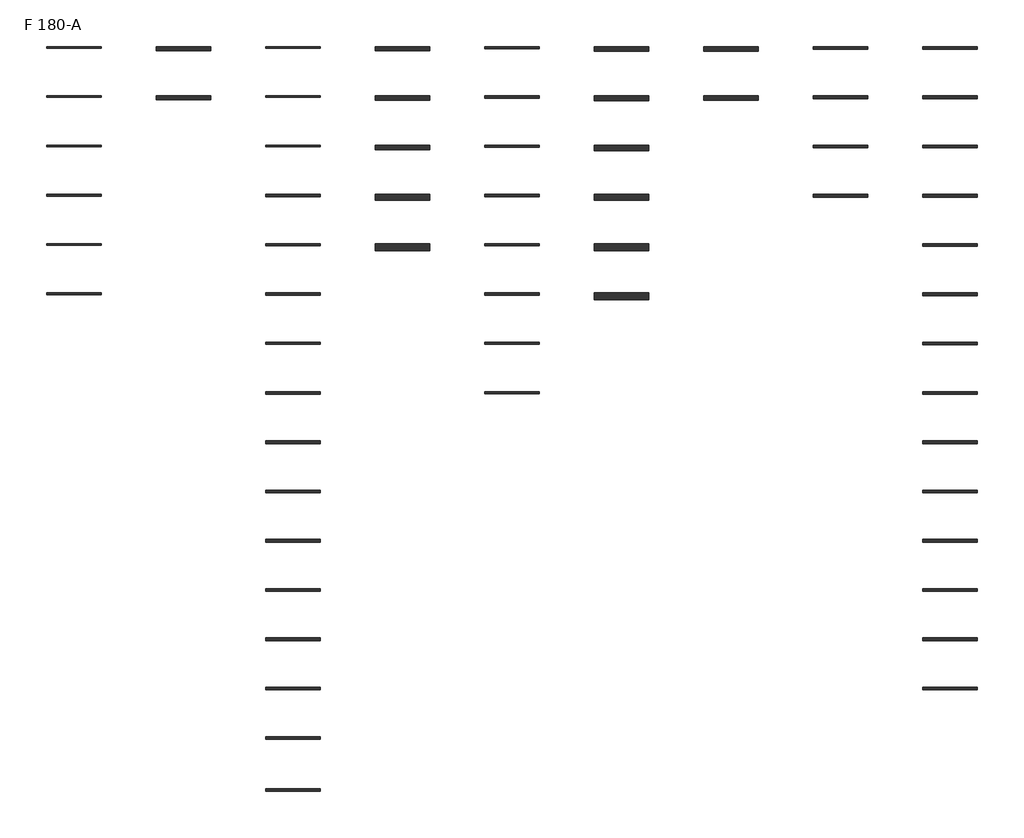
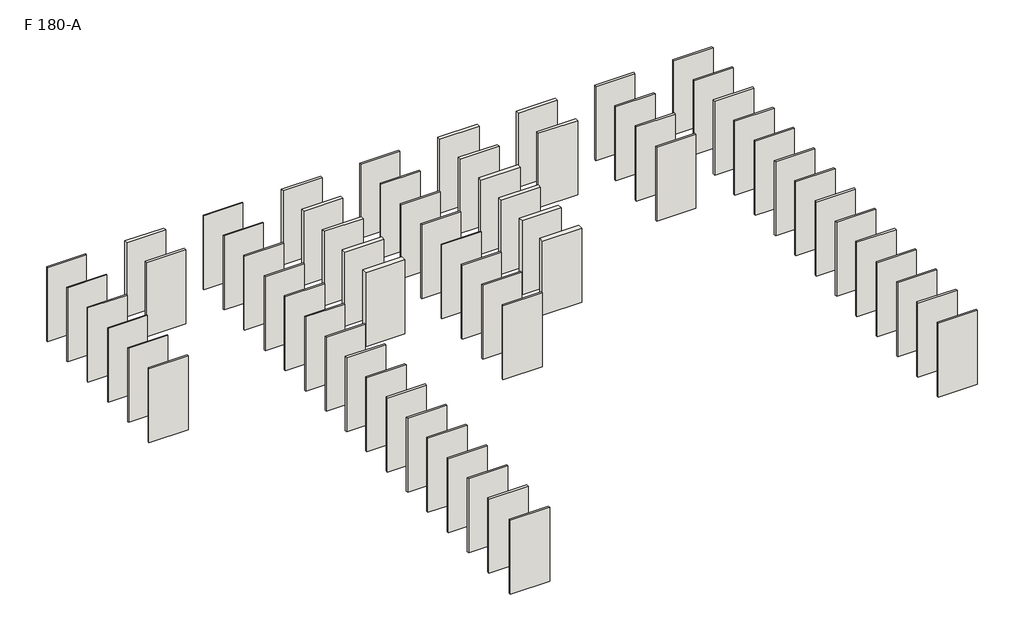
# One storey: 63 walls.
"""IFC4 building model written with IfcOpenShell, lengths in millimetres."""

import ifcopenshell
import ifcopenshell.guid

model = None  # the IFC model being written
_history = None  # IfcOwnerHistory: only IFC2X3 demands one
_inside = {}  # id of a spatial element -> (the spatial element, [elements in it])
_under = {}  # id of a project, library or spatial element -> (it, [spatial elements below it])
_declared = {}  # id of a project -> (the project, [libraries it declares])
_typed = {}  # id of a type object -> (the type object, [elements of that type])
_made_of = {}  # id of a material, layer set ... -> (it, [elements and type objects made of it])


def new_model(schema):
    """Start an empty IFC model of exactly this schema.

    Asked for "IFC4X3", IfcOpenShell would pick the latest addendum, in which some entities
    have other attributes; the version numbers below select the first issue.
    IFC2X3 requires an IfcOwnerHistory on every rooted entity: one is made here for all.
    """
    global model, _history
    if schema == "IFC4X3":
        model = ifcopenshell.file(schema_version=(4, 3, 0, 0))
    else:
        model = ifcopenshell.file(schema=schema)
    _inside.clear()
    _under.clear()
    _declared.clear()
    _typed.clear()
    _made_of.clear()
    _history = None
    if model.schema == "IFC2X3":
        org = make("IfcOrganization", Name="unknown")
        user = make(
            "IfcPersonAndOrganization",
            ThePerson=make("IfcPerson", FamilyName="unknown"),
            TheOrganization=org,
        )
        app = make(
            "IfcApplication",
            ApplicationDeveloper=org,
            Version="unknown",
            ApplicationFullName="unknown",
            ApplicationIdentifier="unknown",
        )
        _history = make(
            "IfcOwnerHistory",
            OwningUser=user,
            OwningApplication=app,
            ChangeAction="ADDED",
            CreationDate=0,
        )
    return model


def make(cls, **values):
    """One entity of the class cls with the attributes given. An attribute that is None is left unset."""
    return model.create_entity(
        cls, **{name: value for name, value in values.items() if value is not None}
    )


def rooted(cls, **values):
    """An entity with a GlobalId (a new one), such as an element, a storey or a relation."""
    return make(cls, GlobalId=ifcopenshell.guid.new(), OwnerHistory=_history, **values)


def si_unit(unit_type, name, prefix=None):
    """IfcSIUnit, for example si_unit("LENGTHUNIT", "METRE", prefix="MILLI")."""
    return make("IfcSIUnit", UnitType=unit_type, Prefix=prefix, Name=name)


def assignment(units):
    """IfcUnitAssignment: the units of a project."""
    return None if units is None else make("IfcUnitAssignment", Units=units)


def point(xyz):
    """IfcCartesianPoint."""
    return None if xyz is None else make("IfcCartesianPoint", Coordinates=xyz)


def direction(xyz):
    """IfcDirection."""
    return None if xyz is None else make("IfcDirection", DirectionRatios=xyz)


def frame(location, z_axis=None, x_axis=None):
    """IfcAxis2Placement3D, a coordinate frame: its origin and axes. An axis left out is left unset."""
    return make(
        "IfcAxis2Placement3D",
        Location=point(location),
        Axis=direction(z_axis),
        RefDirection=direction(x_axis),
    )


def origin():
    """The frame at (0, 0, 0) with its axes left unset."""
    return frame((0.0, 0.0, 0.0))


def origin_with_axes():
    """The frame at (0, 0, 0) with the z axis (0, 0, 1) and the x axis (1, 0, 0) written out."""
    return frame((0.0, 0.0, 0.0), z_axis=(0.0, 0.0, 1.0), x_axis=(1.0, 0.0, 0.0))


def place(relative_to, where):
    """IfcLocalPlacement: puts the frame where relative to a parent placement (None: the world)."""
    return make(
        "IfcLocalPlacement", PlacementRelTo=relative_to, RelativePlacement=where
    )


def context(
    kind, dimensions, precision=None, world=None, true_north=None, identifier=None
):
    """IfcGeometricRepresentationContext, for example the 3D "Model" context."""
    return make(
        "IfcGeometricRepresentationContext",
        ContextIdentifier=identifier,
        ContextType=kind,
        CoordinateSpaceDimension=dimensions,
        Precision=precision,
        WorldCoordinateSystem=world,
        TrueNorth=true_north,
    )


def project(units=None, contexts=None):
    """IfcProject with its units and contexts."""
    return rooted(
        "IfcProject",
        Name="project",
        RepresentationContexts=contexts,
        UnitsInContext=assignment(units),
    )


def spatial(cls, under=None, at=None, **own):
    """A site, building, storey or space (cls), placed at a placement, below another one or the project."""
    s = rooted(cls, ObjectPlacement=at, **own)
    if under is not None:
        _under.setdefault(under.id(), (under, []))[1].append(s)
    return s


def polyline(points):
    """IfcPolyline through the points."""
    return make("IfcPolyline", Points=[point(p) for p in points])


def outline(outer, holes=None, kind="AREA"):
    """IfcArbitraryClosedProfileDef: a profile drawn as a closed curve; with holes, ...WithVoids."""
    if holes is None:
        return make("IfcArbitraryClosedProfileDef", ProfileType=kind, OuterCurve=outer)
    return make(
        "IfcArbitraryProfileDefWithVoids",
        ProfileType=kind,
        OuterCurve=outer,
        InnerCurves=holes,
    )


def extrude(swept, where, along, depth):
    """IfcExtrudedAreaSolid: the profile swept, set in the frame where, extruded along a direction by depth."""
    return make(
        "IfcExtrudedAreaSolid",
        SweptArea=swept,
        Position=where,
        ExtrudedDirection=direction(along),
        Depth=depth,
    )


def shape(context_of_items, identifier, shape_type, items):
    """IfcShapeRepresentation: the items that make up one representation, for example the "Body"."""
    return make(
        "IfcShapeRepresentation",
        ContextOfItems=context_of_items,
        RepresentationIdentifier=identifier,
        RepresentationType=shape_type,
        Items=items,
    )


def made_of(thing, what):
    """Note that an element or type object is made of a material, layer set ...; save() writes the relation."""
    if what is not None:
        _made_of.setdefault(what.id(), (what, []))[1].append(thing)
    return thing


def element(
    cls,
    number,
    at=None,
    inside=None,
    cuts=None,
    type_object=None,
    material=None,
    context=None,
    identifier="Body",
    shape_type=None,
    held_by="IfcProductDefinitionShape",
    body=None,
    shapes=None,
    **own,
):
    """One element of the class cls, such as IfcWall. Its Tag is "e" and its number.

    at: its placement. inside: the storey or other place that contains it. cuts: it is an
    opening in that element (IfcRelVoidsElement). A single representation is given by context,
    identifier, shape_type and body (its items); several are given by shapes. held_by: the class
    of the entity that holds the representations. save() writes the other relations.
    """
    e = rooted(cls, Tag="e%d" % number, ObjectPlacement=at, **own)
    if body is not None:
        shapes = [shape(context, identifier, shape_type, body)]
    if shapes is not None:
        e.Representation = make(held_by, Representations=shapes)
    if inside is not None:
        _inside.setdefault(inside.id(), (inside, []))[1].append(e)
    if cuts is not None:
        rooted(
            "IfcRelVoidsElement", RelatingBuildingElement=cuts, RelatedOpeningElement=e
        )
    if type_object is not None:
        _typed.setdefault(type_object.id(), (type_object, []))[1].append(e)
    return made_of(e, material)


def aggregate(whole, parts):
    """IfcRelAggregates: a whole, such as a stair, and the parts it consists of."""
    return rooted("IfcRelAggregates", RelatingObject=whole, RelatedObjects=parts)


def save(model, path):
    """Write the relations noted so far, then the file.

    IfcRelAggregates (storeys below a building ...), IfcRelContainedInSpatialStructure (elements
    in a storey), IfcRelDefinesByType, IfcRelAssociatesMaterial and IfcRelDeclares: one each for
    every whole, place, type object, material and project.
    """
    for whole, parts in _under.values():
        aggregate(whole, parts)
    for where, things in _inside.values():
        rooted(
            "IfcRelContainedInSpatialStructure",
            RelatedElements=things,
            RelatingStructure=where,
        )
    for kind, things in _typed.values():
        rooted("IfcRelDefinesByType", RelatedObjects=things, RelatingType=kind)
    for what, things in _made_of.values():
        rooted("IfcRelAssociatesMaterial", RelatedObjects=things, RelatingMaterial=what)
    for by, libraries in _declared.values():
        rooted("IfcRelDeclares", RelatingContext=by, RelatedDefinitions=libraries)
    model.write(path)


model = new_model("IFC4")

# Units and contexts
model_context = context("Model", 3, world=origin())
ifc_project = project(units=[si_unit("LENGTHUNIT", "METRE", prefix="MILLI")], contexts=[model_context])

# Site, building, storey
site = spatial("IfcSite", under=ifc_project)
building = spatial("IfcBuilding", under=site)
storey = spatial("IfcBuildingStorey", under=building, Name="F 180-A", Elevation=0.0)

# Walls
placement = place(None, origin())
element("IfcWall", 1, at=placement, inside=storey, context=model_context, shape_type="SweptSolid", body=[
    extrude(outline(polyline([(18981.4779271, 3903.2053743), (16981.4779271, 3903.2053743), (16981.4779271, 3983.2053743), (18981.4779271, 3983.2053743), (18981.4779271, 3903.2053743)])), origin_with_axes(), (0.0, 0.0, 1.0), 4000.0),
])
element("IfcWall", 2, at=placement, inside=storey, context=model_context, shape_type="SweptSolid", body=[
    extrude(outline(polyline([(18981.4779271, 2103.2053743), (16981.4779271, 2103.2053743), (16981.4779271, 2183.2053743), (18981.4779271, 2183.2053743), (18981.4779271, 2103.2053743)])), origin_with_axes(), (0.0, 0.0, 1.0), 4000.0),
])
element("IfcWall", 3, at=placement, inside=storey, context=model_context, shape_type="SweptSolid", body=[
    extrude(outline(polyline([(18981.4779271, 303.2053743), (16981.4779271, 303.2053743), (16981.4779271, 383.2053743), (18981.4779271, 383.2053743), (18981.4779271, 303.2053743)])), origin_with_axes(), (0.0, 0.0, 1.0), 4000.0),
])
element("IfcWall", 4, at=placement, inside=storey, context=model_context, shape_type="SweptSolid", body=[
    extrude(outline(polyline([(18981.4779271, -1496.7946257), (16981.4779271, -1496.7946257), (16981.4779271, -1416.7946257), (18981.4779271, -1416.7946257), (18981.4779271, -1496.7946257)])), origin_with_axes(), (0.0, 0.0, 1.0), 4000.0),
])
element("IfcWall", 5, at=placement, inside=storey, context=model_context, shape_type="SweptSolid", body=[
    extrude(outline(polyline([(30981.4779271, 283.2053743), (28981.4779271, 283.2053743), (28981.4779271, 383.2053743), (30981.4779271, 383.2053743), (30981.4779271, 283.2053743)])), origin_with_axes(), (0.0, 0.0, 1.0), 4000.0),
])
element("IfcWall", 6, at=placement, inside=storey, context=model_context, shape_type="SweptSolid", body=[
    extrude(outline(polyline([(34981.4779271, -3316.7946257), (32981.4779271, -3316.7946257), (32981.4779271, -3216.7946257), (34981.4779271, -3216.7946257), (34981.4779271, -3316.7946257)])), origin_with_axes(), (0.0, 0.0, 1.0), 4000.0),
])
element("IfcWall", 7, at=placement, inside=storey, context=model_context, shape_type="SweptSolid", body=[
    extrude(outline(polyline([(34981.4779271, -5116.7946257), (32981.4779271, -5116.7946257), (32981.4779271, -5016.7946257), (34981.4779271, -5016.7946257), (34981.4779271, -5116.7946257)])), origin_with_axes(), (0.0, 0.0, 1.0), 4000.0),
])
element("IfcWall", 8, at=placement, inside=storey, context=model_context, shape_type="SweptSolid", body=[
    extrude(outline(polyline([(34981.4779271, -10516.7946257), (32981.4779271, -10516.7946257), (32981.4779271, -10416.7946257), (34981.4779271, -10416.7946257), (34981.4779271, -10516.7946257)])), origin_with_axes(), (0.0, 0.0, 1.0), 4000.0),
])
element("IfcWall", 9, at=placement, inside=storey, context=model_context, shape_type="SweptSolid", body=[
    extrude(outline(polyline([(34981.4779271, -12316.7946257), (32981.4779271, -12316.7946257), (32981.4779271, -12216.7946257), (34981.4779271, -12216.7946257), (34981.4779271, -12316.7946257)])), origin_with_axes(), (0.0, 0.0, 1.0), 4000.0),
])
element("IfcWall", 10, at=placement, inside=storey, context=model_context, shape_type="SweptSolid", body=[
    extrude(outline(polyline([(2981.4779271, -3276.7946257), (981.4779271, -3276.7946257), (981.4779271, -3216.7946257), (2981.4779271, -3216.7946257), (2981.4779271, -3276.7946257)])), origin_with_axes(), (0.0, 0.0, 1.0), 4000.0),
])
element("IfcWall", 11, at=placement, inside=storey, context=model_context, shape_type="SweptSolid", body=[
    extrude(outline(polyline([(2981.4779271, -5076.7946257), (981.4779271, -5076.7946257), (981.4779271, -5016.7946257), (2981.4779271, -5016.7946257), (2981.4779271, -5076.7946257)])), origin_with_axes(), (0.0, 0.0, 1.0), 4000.0),
])
element("IfcWall", 12, at=placement, inside=storey, context=model_context, shape_type="SweptSolid", body=[
    extrude(outline(polyline([(30981.4779271, -1516.7946257), (28981.4779271, -1516.7946257), (28981.4779271, -1416.7946257), (30981.4779271, -1416.7946257), (30981.4779271, -1516.7946257)])), origin_with_axes(), (0.0, 0.0, 1.0), 4000.0),
])
element("IfcWall", 13, at=placement, inside=storey, context=model_context, shape_type="SweptSolid", body=[
    extrude(outline(polyline([(10981.4779271, 3923.2053743), (8981.4779271, 3923.2053743), (8981.4779271, 3983.2053743), (10981.4779271, 3983.2053743), (10981.4779271, 3923.2053743)])), origin_with_axes(), (0.0, 0.0, 1.0), 4000.0),
])
element("IfcWall", 14, at=placement, inside=storey, context=model_context, shape_type="SweptSolid", body=[
    extrude(outline(polyline([(10981.4779271, -1496.7946257), (8981.4779271, -1496.7946257), (8981.4779271, -1416.7946257), (10981.4779271, -1416.7946257), (10981.4779271, -1496.7946257)])), origin_with_axes(), (0.0, 0.0, 1.0), 4000.0),
])
element("IfcWall", 15, at=placement, inside=storey, context=model_context, shape_type="SweptSolid", body=[
    extrude(outline(polyline([(10981.4779271, -6896.7946257), (8981.4779271, -6896.7946257), (8981.4779271, -6816.7946257), (10981.4779271, -6816.7946257), (10981.4779271, -6896.7946257)])), origin_with_axes(), (0.0, 0.0, 1.0), 4000.0),
])
element("IfcWall", 16, at=placement, inside=storey, context=model_context, shape_type="SweptSolid", body=[
    extrude(outline(polyline([(10981.4779271, -12316.7946257), (8981.4779271, -12316.7946257), (8981.4779271, -12216.7946257), (10981.4779271, -12216.7946257), (10981.4779271, -12316.7946257)])), origin_with_axes(), (0.0, 0.0, 1.0), 4000.0),
])
element("IfcWall", 17, at=placement, inside=storey, context=model_context, shape_type="SweptSolid", body=[
    extrude(outline(polyline([(10981.4779271, -15916.7946257), (8981.4779271, -15916.7946257), (8981.4779271, -15816.7946257), (10981.4779271, -15816.7946257), (10981.4779271, -15916.7946257)])), origin_with_axes(), (0.0, 0.0, 1.0), 4000.0),
])
element("IfcWall", 18, at=placement, inside=storey, context=model_context, shape_type="SweptSolid", body=[
    extrude(outline(polyline([(10981.4779271, -23216.7946257), (8981.4779271, -23216.7946257), (8981.4779271, -23116.7946257), (10981.4779271, -23116.7946257), (10981.4779271, -23216.7946257)])), origin_with_axes(), (0.0, 0.0, 1.0), 4000.0),
])
element("IfcWall", 19, ObjectType="WD.100-R48-2", at=placement, inside=storey, context=model_context, shape_type="SweptSolid", body=[
    extrude(outline(polyline([(34981.4779271, 3883.2053743), (32981.4779271, 3883.2053743), (32981.4779271, 3983.2053743), (34981.4779271, 3983.2053743), (34981.4779271, 3883.2053743)])), origin_with_axes(), (0.0, 0.0, 1.0), 4000.0),
])
element("IfcWall", 20, ObjectType="WD.100-R48-3", at=placement, inside=storey, context=model_context, shape_type="SweptSolid", body=[
    extrude(outline(polyline([(10981.4779271, -8716.7946257), (8981.4779271, -8716.7946257), (8981.4779271, -8616.7946257), (10981.4779271, -8616.7946257), (10981.4779271, -8716.7946257)])), origin_with_axes(), (0.0, 0.0, 1.0), 4000.0),
])
element("IfcWall", 21, ObjectType="WD.100-R48-4", at=placement, inside=storey, context=model_context, shape_type="SweptSolid", body=[
    extrude(outline(polyline([(34981.4779271, 2083.2053743), (32981.4779271, 2083.2053743), (32981.4779271, 2183.2053743), (34981.4779271, 2183.2053743), (34981.4779271, 2083.2053743)])), origin_with_axes(), (0.0, 0.0, 1.0), 4000.0),
])
element("IfcWall", 22, ObjectType="WD.100-R50-2", at=placement, inside=storey, context=model_context, shape_type="SweptSolid", body=[
    extrude(outline(polyline([(34981.4779271, 283.2053743), (32981.4779271, 283.2053743), (32981.4779271, 383.2053743), (34981.4779271, 383.2053743), (34981.4779271, 283.2053743)])), origin_with_axes(), (0.0, 0.0, 1.0), 4000.0),
])
element("IfcWall", 23, ObjectType="WD.100-R50-3", at=placement, inside=storey, context=model_context, shape_type="SweptSolid", body=[
    extrude(outline(polyline([(10981.4779271, -14116.7946257), (8981.4779271, -14116.7946257), (8981.4779271, -14016.7946257), (10981.4779271, -14016.7946257), (10981.4779271, -14116.7946257)])), origin_with_axes(), (0.0, 0.0, 1.0), 4000.0),
])
element("IfcWall", 24, ObjectType="WD.100-R50-4", at=placement, inside=storey, context=model_context, shape_type="SweptSolid", body=[
    extrude(outline(polyline([(34981.4779271, -1516.7946257), (32981.4779271, -1516.7946257), (32981.4779271, -1416.7946257), (34981.4779271, -1416.7946257), (34981.4779271, -1516.7946257)])), origin_with_axes(), (0.0, 0.0, 1.0), 4000.0),
])
element("IfcWall", 25, ObjectType="WD.60.60-2", at=placement, inside=storey, context=model_context, shape_type="SweptSolid", body=[
    extrude(outline(polyline([(6981.4779271, 3833.2053743), (4981.4779271, 3833.2053743), (4981.4779271, 3983.2053743), (6981.4779271, 3983.2053743), (6981.4779271, 3833.2053743)])), origin_with_axes(), (0.0, 0.0, 1.0), 4000.0),
])
element("IfcWall", 26, ObjectType="WD.60.60-3", at=placement, inside=storey, context=model_context, shape_type="SweptSolid", body=[
    extrude(outline(polyline([(14981.4779271, 3833.2053743), (12981.4779271, 3833.2053743), (12981.4779271, 3983.2053743), (14981.4779271, 3983.2053743), (14981.4779271, 3833.2053743)])), origin_with_axes(), (0.0, 0.0, 1.0), 4000.0),
])
element("IfcWall", 27, ObjectType="WD.60.60-4", at=placement, inside=storey, context=model_context, shape_type="SweptSolid", body=[
    extrude(outline(polyline([(6981.4779271, 2033.2053743), (4981.4779271, 2033.2053743), (4981.4779271, 2183.2053743), (6981.4779271, 2183.2053743), (6981.4779271, 2033.2053743)])), origin_with_axes(), (0.0, 0.0, 1.0), 4000.0),
])
element("IfcWall", 28, ObjectType="WDH.100-R50-2", at=placement, inside=storey, context=model_context, shape_type="SweptSolid", body=[
    extrude(outline(polyline([(34981.4779271, -6916.7946257), (32981.4779271, -6916.7946257), (32981.4779271, -6816.7946257), (34981.4779271, -6816.7946257), (34981.4779271, -6916.7946257)])), origin_with_axes(), (0.0, 0.0, 1.0), 4000.0),
])
element("IfcWall", 29, ObjectType="WDH.100-R50-3", at=placement, inside=storey, context=model_context, shape_type="SweptSolid", body=[
    extrude(outline(polyline([(10981.4779271, -10516.7946257), (8981.4779271, -10516.7946257), (8981.4779271, -10416.7946257), (10981.4779271, -10416.7946257), (10981.4779271, -10516.7946257)])), origin_with_axes(), (0.0, 0.0, 1.0), 4000.0),
])
element("IfcWall", 30, ObjectType="WDH.100-R50-4", at=placement, inside=storey, context=model_context, shape_type="SweptSolid", body=[
    extrude(outline(polyline([(34981.4779271, -8716.7946257), (32981.4779271, -8716.7946257), (32981.4779271, -8616.7946257), (34981.4779271, -8616.7946257), (34981.4779271, -8716.7946257)])), origin_with_axes(), (0.0, 0.0, 1.0), 4000.0),
])
element("IfcWall", 31, ObjectType="WDM.60.80-2", at=placement, inside=storey, context=model_context, shape_type="SweptSolid", body=[
    extrude(outline(polyline([(26981.4779271, 3813.2053743), (24981.4779271, 3813.2053743), (24981.4779271, 3983.2053743), (26981.4779271, 3983.2053743), (26981.4779271, 3813.2053743)])), origin_with_axes(), (0.0, 0.0, 1.0), 4000.0),
])
element("IfcWall", 32, ObjectType="WDM.60.80-3", at=placement, inside=storey, context=model_context, shape_type="SweptSolid", body=[
    extrude(outline(polyline([(14981.4779271, 2013.2053743), (12981.4779271, 2013.2053743), (12981.4779271, 2183.2053743), (14981.4779271, 2183.2053743), (14981.4779271, 2013.2053743)])), origin_with_axes(), (0.0, 0.0, 1.0), 4000.0),
])
element("IfcWall", 33, ObjectType="WDM.60.80-4", at=placement, inside=storey, context=model_context, shape_type="SweptSolid", body=[
    extrude(outline(polyline([(26981.4779271, 2013.2053743), (24981.4779271, 2013.2053743), (24981.4779271, 2183.2053743), (26981.4779271, 2183.2053743), (26981.4779271, 2013.2053743)])), origin_with_axes(), (0.0, 0.0, 1.0), 4000.0),
])
element("IfcWall", 34, ObjectType="WM.100-2", at=placement, inside=storey, context=model_context, shape_type="SweptSolid", body=[
    extrude(outline(polyline([(34981.4779271, -17716.7946257), (32981.4779271, -17716.7946257), (32981.4779271, -17616.7946257), (34981.4779271, -17616.7946257), (34981.4779271, -17716.7946257)])), origin_with_axes(), (0.0, 0.0, 1.0), 4000.0),
])
element("IfcWall", 35, ObjectType="WM.100-2-MW", at=placement, inside=storey, context=model_context, shape_type="SweptSolid", body=[
    extrude(outline(polyline([(30981.4779271, 3883.2053743), (28981.4779271, 3883.2053743), (28981.4779271, 3983.2053743), (30981.4779271, 3983.2053743), (30981.4779271, 3883.2053743)])), origin_with_axes(), (0.0, 0.0, 1.0), 4000.0),
])
element("IfcWall", 36, ObjectType="WM.100-3", at=placement, inside=storey, context=model_context, shape_type="SweptSolid", body=[
    extrude(outline(polyline([(10981.4779271, -21316.7946257), (8981.4779271, -21316.7946257), (8981.4779271, -21216.7946257), (10981.4779271, -21216.7946257), (10981.4779271, -21316.7946257)])), origin_with_axes(), (0.0, 0.0, 1.0), 4000.0),
])
element("IfcWall", 37, ObjectType="WM.100-3-MW", at=placement, inside=storey, context=model_context, shape_type="SweptSolid", body=[
    extrude(outline(polyline([(10981.4779271, -17716.7946257), (8981.4779271, -17716.7946257), (8981.4779271, -17616.7946257), (10981.4779271, -17616.7946257), (10981.4779271, -17716.7946257)])), origin_with_axes(), (0.0, 0.0, 1.0), 4000.0),
])
element("IfcWall", 38, ObjectType="WM.100-4", at=placement, inside=storey, context=model_context, shape_type="SweptSolid", body=[
    extrude(outline(polyline([(34981.4779271, -19516.7946257), (32981.4779271, -19516.7946257), (32981.4779271, -19416.7946257), (34981.4779271, -19416.7946257), (34981.4779271, -19516.7946257)])), origin_with_axes(), (0.0, 0.0, 1.0), 4000.0),
])
element("IfcWall", 39, ObjectType="WM.100-4-MW", at=placement, inside=storey, context=model_context, shape_type="SweptSolid", body=[
    extrude(outline(polyline([(30981.4779271, 2083.2053743), (28981.4779271, 2083.2053743), (28981.4779271, 2183.2053743), (30981.4779271, 2183.2053743), (30981.4779271, 2083.2053743)])), origin_with_axes(), (0.0, 0.0, 1.0), 4000.0),
])
element("IfcWall", 40, ObjectType="WM.60-2", at=placement, inside=storey, context=model_context, shape_type="SweptSolid", body=[
    extrude(outline(polyline([(2981.4779271, 323.2053743), (981.4779271, 323.2053743), (981.4779271, 383.2053743), (2981.4779271, 383.2053743), (2981.4779271, 323.2053743)])), origin_with_axes(), (0.0, 0.0, 1.0), 4000.0),
])
element("IfcWall", 41, ObjectType="WM.60-3", at=placement, inside=storey, context=model_context, shape_type="SweptSolid", body=[
    extrude(outline(polyline([(10981.4779271, 2123.2053743), (8981.4779271, 2123.2053743), (8981.4779271, 2183.2053743), (10981.4779271, 2183.2053743), (10981.4779271, 2123.2053743)])), origin_with_axes(), (0.0, 0.0, 1.0), 4000.0),
])
element("IfcWall", 42, ObjectType="WM.60-4", at=placement, inside=storey, context=model_context, shape_type="SweptSolid", body=[
    extrude(outline(polyline([(2981.4779271, -1476.7946257), (981.4779271, -1476.7946257), (981.4779271, -1416.7946257), (2981.4779271, -1416.7946257), (2981.4779271, -1476.7946257)])), origin_with_axes(), (0.0, 0.0, 1.0), 4000.0),
])
element("IfcWall", 43, ObjectType="WM.60.80-2", at=placement, inside=storey, context=model_context, shape_type="SweptSolid", body=[
    extrude(outline(polyline([(22981.4779271, 3808.2053743), (20981.4779271, 3808.2053743), (20981.4779271, 3983.2053743), (22981.4779271, 3983.2053743), (22981.4779271, 3808.2053743)])), origin_with_axes(), (0.0, 0.0, 1.0), 4000.0),
])
element("IfcWall", 44, ObjectType="WM.60.80-3", at=placement, inside=storey, context=model_context, shape_type="SweptSolid", body=[
    extrude(outline(polyline([(14981.4779271, 208.2053743), (12981.4779271, 208.2053743), (12981.4779271, 383.2053743), (14981.4779271, 383.2053743), (14981.4779271, 208.2053743)])), origin_with_axes(), (0.0, 0.0, 1.0), 4000.0),
])
element("IfcWall", 45, ObjectType="WM.60.80-4", at=placement, inside=storey, context=model_context, shape_type="SweptSolid", body=[
    extrude(outline(polyline([(22981.4779271, 2008.2053743), (20981.4779271, 2008.2053743), (20981.4779271, 2183.2053743), (22981.4779271, 2183.2053743), (22981.4779271, 2008.2053743)])), origin_with_axes(), (0.0, 0.0, 1.0), 4000.0),
])
element("IfcWall", 46, ObjectType="WM.80-2", at=placement, inside=storey, context=model_context, shape_type="SweptSolid", body=[
    extrude(outline(polyline([(18981.4779271, -3296.7946257), (16981.4779271, -3296.7946257), (16981.4779271, -3216.7946257), (18981.4779271, -3216.7946257), (18981.4779271, -3296.7946257)])), origin_with_axes(), (0.0, 0.0, 1.0), 4000.0),
])
element("IfcWall", 47, ObjectType="WM.80-3", at=placement, inside=storey, context=model_context, shape_type="SweptSolid", body=[
    extrude(outline(polyline([(10981.4779271, -3296.7946257), (8981.4779271, -3296.7946257), (8981.4779271, -3216.7946257), (10981.4779271, -3216.7946257), (10981.4779271, -3296.7946257)])), origin_with_axes(), (0.0, 0.0, 1.0), 4000.0),
])
element("IfcWall", 48, ObjectType="WM.80-4", at=placement, inside=storey, context=model_context, shape_type="SweptSolid", body=[
    extrude(outline(polyline([(18981.4779271, -5096.7946257), (16981.4779271, -5096.7946257), (16981.4779271, -5016.7946257), (18981.4779271, -5016.7946257), (18981.4779271, -5096.7946257)])), origin_with_axes(), (0.0, 0.0, 1.0), 4000.0),
])
element("IfcWall", 49, ObjectType="WM.80.80L-2", at=placement, inside=storey, context=model_context, shape_type="SweptSolid", body=[
    extrude(outline(polyline([(22981.4779271, -3466.7946257), (20981.4779271, -3466.7946257), (20981.4779271, -3216.7946257), (22981.4779271, -3216.7946257), (22981.4779271, -3466.7946257)])), origin_with_axes(), (0.0, 0.0, 1.0), 4000.0),
])
element("IfcWall", 50, ObjectType="WM.80.80L-3", at=placement, inside=storey, context=model_context, shape_type="SweptSolid", body=[
    extrude(outline(polyline([(14981.4779271, -3466.7946257), (12981.4779271, -3466.7946257), (12981.4779271, -3216.7946257), (14981.4779271, -3216.7946257), (14981.4779271, -3466.7946257)])), origin_with_axes(), (0.0, 0.0, 1.0), 4000.0),
])
element("IfcWall", 51, ObjectType="WM.80.80L-4", at=placement, inside=storey, context=model_context, shape_type="SweptSolid", body=[
    extrude(outline(polyline([(22981.4779271, -5266.7946257), (20981.4779271, -5266.7946257), (20981.4779271, -5016.7946257), (22981.4779271, -5016.7946257), (22981.4779271, -5266.7946257)])), origin_with_axes(), (0.0, 0.0, 1.0), 4000.0),
])
element("IfcWall", 52, ObjectType="WM.80.80s-2", at=placement, inside=storey, context=model_context, shape_type="SweptSolid", body=[
    extrude(outline(polyline([(22981.4779271, 173.2053743), (20981.4779271, 173.2053743), (20981.4779271, 383.2053743), (22981.4779271, 383.2053743), (22981.4779271, 173.2053743)])), origin_with_axes(), (0.0, 0.0, 1.0), 4000.0),
])
element("IfcWall", 53, ObjectType="WM.80.80s-3", at=placement, inside=storey, context=model_context, shape_type="SweptSolid", body=[
    extrude(outline(polyline([(14981.4779271, -1626.7946257), (12981.4779271, -1626.7946257), (12981.4779271, -1416.7946257), (14981.4779271, -1416.7946257), (14981.4779271, -1626.7946257)])), origin_with_axes(), (0.0, 0.0, 1.0), 4000.0),
])
element("IfcWall", 54, ObjectType="WM.80.80s-4", at=placement, inside=storey, context=model_context, shape_type="SweptSolid", body=[
    extrude(outline(polyline([(22981.4779271, -1626.7946257), (20981.4779271, -1626.7946257), (20981.4779271, -1416.7946257), (22981.4779271, -1416.7946257), (22981.4779271, -1626.7946257)])), origin_with_axes(), (0.0, 0.0, 1.0), 4000.0),
])
element("IfcWall", 55, ObjectType="WMH.100-2", at=placement, inside=storey, context=model_context, shape_type="SweptSolid", body=[
    extrude(outline(polyline([(34981.4779271, -14116.7946257), (32981.4779271, -14116.7946257), (32981.4779271, -14016.7946257), (34981.4779271, -14016.7946257), (34981.4779271, -14116.7946257)])), origin_with_axes(), (0.0, 0.0, 1.0), 4000.0),
])
element("IfcWall", 56, ObjectType="WMH.100-3", at=placement, inside=storey, context=model_context, shape_type="SweptSolid", body=[
    extrude(outline(polyline([(10981.4779271, -19516.7946257), (8981.4779271, -19516.7946257), (8981.4779271, -19416.7946257), (10981.4779271, -19416.7946257), (10981.4779271, -19516.7946257)])), origin_with_axes(), (0.0, 0.0, 1.0), 4000.0),
])
element("IfcWall", 57, ObjectType="WMH.100-4", at=placement, inside=storey, context=model_context, shape_type="SweptSolid", body=[
    extrude(outline(polyline([(34981.4779271, -15916.7946257), (32981.4779271, -15916.7946257), (32981.4779271, -15816.7946257), (34981.4779271, -15816.7946257), (34981.4779271, -15916.7946257)])), origin_with_axes(), (0.0, 0.0, 1.0), 4000.0),
])
element("IfcWall", 58, ObjectType="WMH.60-2", at=placement, inside=storey, context=model_context, shape_type="SweptSolid", body=[
    extrude(outline(polyline([(2981.4779271, 3923.2053743), (981.4779271, 3923.2053743), (981.4779271, 3983.2053743), (2981.4779271, 3983.2053743), (2981.4779271, 3923.2053743)])), origin_with_axes(), (0.0, 0.0, 1.0), 4000.0),
])
element("IfcWall", 59, ObjectType="WMH.60-3", at=placement, inside=storey, context=model_context, shape_type="SweptSolid", body=[
    extrude(outline(polyline([(10981.4779271, 323.2053743), (8981.4779271, 323.2053743), (8981.4779271, 383.2053743), (10981.4779271, 383.2053743), (10981.4779271, 323.2053743)])), origin_with_axes(), (0.0, 0.0, 1.0), 4000.0),
])
element("IfcWall", 60, ObjectType="WMH.60-4", at=placement, inside=storey, context=model_context, shape_type="SweptSolid", body=[
    extrude(outline(polyline([(2981.4779271, 2123.2053743), (981.4779271, 2123.2053743), (981.4779271, 2183.2053743), (2981.4779271, 2183.2053743), (2981.4779271, 2123.2053743)])), origin_with_axes(), (0.0, 0.0, 1.0), 4000.0),
])
element("IfcWall", 61, ObjectType="WMH.80-2", at=placement, inside=storey, context=model_context, shape_type="SweptSolid", body=[
    extrude(outline(polyline([(18981.4779271, -6896.7946257), (16981.4779271, -6896.7946257), (16981.4779271, -6816.7946257), (18981.4779271, -6816.7946257), (18981.4779271, -6896.7946257)])), origin_with_axes(), (0.0, 0.0, 1.0), 4000.0),
])
element("IfcWall", 62, ObjectType="WMH.80-3", at=placement, inside=storey, context=model_context, shape_type="SweptSolid", body=[
    extrude(outline(polyline([(10981.4779271, -5096.7946257), (8981.4779271, -5096.7946257), (8981.4779271, -5016.7946257), (10981.4779271, -5016.7946257), (10981.4779271, -5096.7946257)])), origin_with_axes(), (0.0, 0.0, 1.0), 4000.0),
])
element("IfcWall", 63, ObjectType="WMH.80-4", at=placement, inside=storey, context=model_context, shape_type="SweptSolid", body=[
    extrude(outline(polyline([(18981.4779271, -8696.7946257), (16981.4779271, -8696.7946257), (16981.4779271, -8616.7946257), (18981.4779271, -8616.7946257), (18981.4779271, -8696.7946257)])), origin_with_axes(), (0.0, 0.0, 1.0), 4000.0),
])

save(model, "model.ifc")
